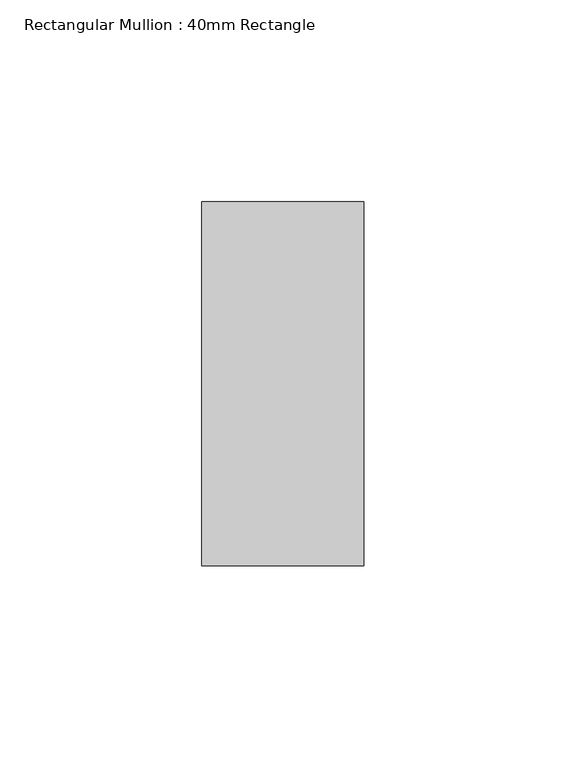
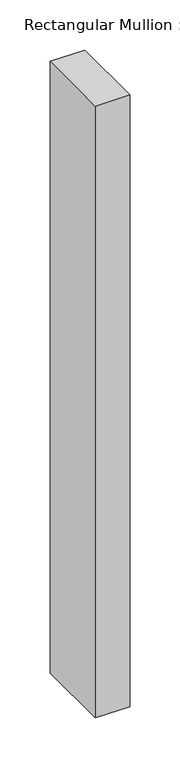
"""IFC4 building model written with IfcOpenShell, lengths in millimetres: member geometry, Rectangular Mullion : 40mm Rectangle."""

import ifcopenshell
import ifcopenshell.guid

model = None  # the IFC model being written
_history = None  # IfcOwnerHistory: only IFC2X3 demands one
_inside = {}  # id of a spatial element -> (the spatial element, [elements in it])
_under = {}  # id of a project, library or spatial element -> (it, [spatial elements below it])
_declared = {}  # id of a project -> (the project, [libraries it declares])
_typed = {}  # id of a type object -> (the type object, [elements of that type])
_made_of = {}  # id of a material, layer set ... -> (it, [elements and type objects made of it])


def new_model(schema):
    """Start an empty IFC model of exactly this schema.

    Asked for "IFC4X3", IfcOpenShell would pick the latest addendum, in which some entities
    have other attributes; the version numbers below select the first issue.
    IFC2X3 requires an IfcOwnerHistory on every rooted entity: one is made here for all.
    """
    global model, _history
    if schema == "IFC4X3":
        model = ifcopenshell.file(schema_version=(4, 3, 0, 0))
    else:
        model = ifcopenshell.file(schema=schema)
    _inside.clear()
    _under.clear()
    _declared.clear()
    _typed.clear()
    _made_of.clear()
    _history = None
    if model.schema == "IFC2X3":
        org = make("IfcOrganization", Name="unknown")
        user = make(
            "IfcPersonAndOrganization",
            ThePerson=make("IfcPerson", FamilyName="unknown"),
            TheOrganization=org,
        )
        app = make(
            "IfcApplication",
            ApplicationDeveloper=org,
            Version="unknown",
            ApplicationFullName="unknown",
            ApplicationIdentifier="unknown",
        )
        _history = make(
            "IfcOwnerHistory",
            OwningUser=user,
            OwningApplication=app,
            ChangeAction="ADDED",
            CreationDate=0,
        )
    return model


def make(cls, **values):
    """One entity of the class cls with the attributes given. An attribute that is None is left unset."""
    return model.create_entity(
        cls, **{name: value for name, value in values.items() if value is not None}
    )


def rooted(cls, **values):
    """An entity with a GlobalId (a new one), such as an element, a storey or a relation."""
    return make(cls, GlobalId=ifcopenshell.guid.new(), OwnerHistory=_history, **values)


def si_unit(unit_type, name, prefix=None):
    """IfcSIUnit, for example si_unit("LENGTHUNIT", "METRE", prefix="MILLI")."""
    return make("IfcSIUnit", UnitType=unit_type, Prefix=prefix, Name=name)


def assignment(units):
    """IfcUnitAssignment: the units of a project."""
    return None if units is None else make("IfcUnitAssignment", Units=units)


def point(xyz):
    """IfcCartesianPoint."""
    return None if xyz is None else make("IfcCartesianPoint", Coordinates=xyz)


def direction(xyz):
    """IfcDirection."""
    return None if xyz is None else make("IfcDirection", DirectionRatios=xyz)


def frame(location, z_axis=None, x_axis=None):
    """IfcAxis2Placement3D, a coordinate frame: its origin and axes. An axis left out is left unset."""
    return make(
        "IfcAxis2Placement3D",
        Location=point(location),
        Axis=direction(z_axis),
        RefDirection=direction(x_axis),
    )


def origin():
    """The frame at (0, 0, 0) with its axes left unset."""
    return frame((0.0, 0.0, 0.0))


def place(relative_to, where):
    """IfcLocalPlacement: puts the frame where relative to a parent placement (None: the world)."""
    return make(
        "IfcLocalPlacement", PlacementRelTo=relative_to, RelativePlacement=where
    )


def context(
    kind, dimensions, precision=None, world=None, true_north=None, identifier=None
):
    """IfcGeometricRepresentationContext, for example the 3D "Model" context."""
    return make(
        "IfcGeometricRepresentationContext",
        ContextIdentifier=identifier,
        ContextType=kind,
        CoordinateSpaceDimension=dimensions,
        Precision=precision,
        WorldCoordinateSystem=world,
        TrueNorth=true_north,
    )


def project(units=None, contexts=None):
    """IfcProject with its units and contexts."""
    return rooted(
        "IfcProject",
        Name="project",
        RepresentationContexts=contexts,
        UnitsInContext=assignment(units),
    )


def spatial(cls, under=None, at=None, **own):
    """A site, building, storey or space (cls), placed at a placement, below another one or the project."""
    s = rooted(cls, ObjectPlacement=at, **own)
    if under is not None:
        _under.setdefault(under.id(), (under, []))[1].append(s)
    return s


def polyline(points):
    """IfcPolyline through the points."""
    return make("IfcPolyline", Points=[point(p) for p in points])


def outline(outer, holes=None, kind="AREA"):
    """IfcArbitraryClosedProfileDef: a profile drawn as a closed curve; with holes, ...WithVoids."""
    if holes is None:
        return make("IfcArbitraryClosedProfileDef", ProfileType=kind, OuterCurve=outer)
    return make(
        "IfcArbitraryProfileDefWithVoids",
        ProfileType=kind,
        OuterCurve=outer,
        InnerCurves=holes,
    )


def extrude(swept, where, along, depth):
    """IfcExtrudedAreaSolid: the profile swept, set in the frame where, extruded along a direction by depth."""
    return make(
        "IfcExtrudedAreaSolid",
        SweptArea=swept,
        Position=where,
        ExtrudedDirection=direction(along),
        Depth=depth,
    )


def shape(context_of_items, identifier, shape_type, items):
    """IfcShapeRepresentation: the items that make up one representation, for example the "Body"."""
    return make(
        "IfcShapeRepresentation",
        ContextOfItems=context_of_items,
        RepresentationIdentifier=identifier,
        RepresentationType=shape_type,
        Items=items,
    )


def source(mapping_origin, context_of_items, identifier, shape_type, items):
    """IfcRepresentationMap: a shape defined once, which mapped items show again and again."""
    return make(
        "IfcRepresentationMap",
        MappingOrigin=mapping_origin,
        MappedRepresentation=shape(context_of_items, identifier, shape_type, items),
    )


def transform(
    local_origin,
    x_axis=None,
    y_axis=None,
    z_axis=None,
    scale=None,
    scale2=None,
    scale3=None,
    uniform=True,
):
    """IfcCartesianTransformationOperator3D, or its non-uniform kind. x_axis, y_axis, z_axis: its Axis1, 2, 3."""
    if uniform:
        return make(
            "IfcCartesianTransformationOperator3D",
            Axis1=direction(x_axis),
            Axis2=direction(y_axis),
            LocalOrigin=point(local_origin),
            Scale=scale,
            Axis3=direction(z_axis),
        )
    return make(
        "IfcCartesianTransformationOperator3DnonUniform",
        Axis1=direction(x_axis),
        Axis2=direction(y_axis),
        LocalOrigin=point(local_origin),
        Scale=scale,
        Axis3=direction(z_axis),
        Scale2=scale2,
        Scale3=scale3,
    )


def mapped(mapping_source, mapping_target):
    """IfcMappedItem: shows the shape of a source again, moved by a transform."""
    return make(
        "IfcMappedItem", MappingSource=mapping_source, MappingTarget=mapping_target
    )


def made_of(thing, what):
    """Note that an element or type object is made of a material, layer set ...; save() writes the relation."""
    if what is not None:
        _made_of.setdefault(what.id(), (what, []))[1].append(thing)
    return thing


def element(
    cls,
    number,
    at=None,
    inside=None,
    cuts=None,
    type_object=None,
    material=None,
    context=None,
    identifier="Body",
    shape_type=None,
    held_by="IfcProductDefinitionShape",
    body=None,
    shapes=None,
    **own,
):
    """One element of the class cls, such as IfcWall. Its Tag is "e" and its number.

    at: its placement. inside: the storey or other place that contains it. cuts: it is an
    opening in that element (IfcRelVoidsElement). A single representation is given by context,
    identifier, shape_type and body (its items); several are given by shapes. held_by: the class
    of the entity that holds the representations. save() writes the other relations.
    """
    e = rooted(cls, Tag="e%d" % number, ObjectPlacement=at, **own)
    if body is not None:
        shapes = [shape(context, identifier, shape_type, body)]
    if shapes is not None:
        e.Representation = make(held_by, Representations=shapes)
    if inside is not None:
        _inside.setdefault(inside.id(), (inside, []))[1].append(e)
    if cuts is not None:
        rooted(
            "IfcRelVoidsElement", RelatingBuildingElement=cuts, RelatedOpeningElement=e
        )
    if type_object is not None:
        _typed.setdefault(type_object.id(), (type_object, []))[1].append(e)
    return made_of(e, material)


def aggregate(whole, parts):
    """IfcRelAggregates: a whole, such as a stair, and the parts it consists of."""
    return rooted("IfcRelAggregates", RelatingObject=whole, RelatedObjects=parts)


def save(model, path):
    """Write the relations noted so far, then the file.

    IfcRelAggregates (storeys below a building ...), IfcRelContainedInSpatialStructure (elements
    in a storey), IfcRelDefinesByType, IfcRelAssociatesMaterial and IfcRelDeclares: one each for
    every whole, place, type object, material and project.
    """
    for whole, parts in _under.values():
        aggregate(whole, parts)
    for where, things in _inside.values():
        rooted(
            "IfcRelContainedInSpatialStructure",
            RelatedElements=things,
            RelatingStructure=where,
        )
    for kind, things in _typed.values():
        rooted("IfcRelDefinesByType", RelatedObjects=things, RelatingType=kind)
    for what, things in _made_of.values():
        rooted("IfcRelAssociatesMaterial", RelatedObjects=things, RelatingMaterial=what)
    for by, libraries in _declared.values():
        rooted("IfcRelDeclares", RelatingContext=by, RelatedDefinitions=libraries)
    model.write(path)


def rectangular_mullion_40mm_rectangle_9b5786a7(model_context):
    return source(origin(), model_context, "Body", "SweptSolid", [
        extrude(outline(polyline([(0.0, 45.0), (0.0, -45.0), (-40.0, -45.0), (-40.0, 45.0), (0.0, 45.0)])), frame((0.0, 0.0, -746.6666667), z_axis=(0.0, 0.0, 1.0), x_axis=(1.0, 0.0, 0.0)), (0.0, 0.0, 1.0), 746.6666667),
    ])


if __name__ == "__main__":
    model = new_model("IFC4")
    model_context = context("Model", 3, world=origin())
    ifc_project = project(units=[si_unit("LENGTHUNIT", "METRE", prefix="MILLI")], contexts=[model_context])
    site = spatial("IfcSite", under=ifc_project)
    building = spatial("IfcBuilding", under=site)
    placement = place(None, origin())
    rectangular_mullion_40mm_rectangle_shape = rectangular_mullion_40mm_rectangle_9b5786a7(model_context)
    element("IfcMember", 1, ObjectType="Rectangular Mullion : 40mm Rectangle", at=placement, inside=building, context=model_context, shape_type="MappedRepresentation", body=[
        mapped(rectangular_mullion_40mm_rectangle_shape, transform((0.0, 0.0, 0.0), x_axis=(1.0, 0.0, 0.0), y_axis=(0.0, 1.0, 0.0), z_axis=(0.0, 0.0, 1.0))),
    ])
    save(model, "model.ifc")
